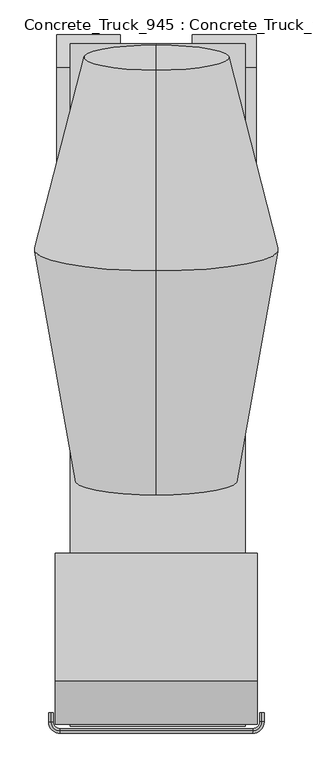
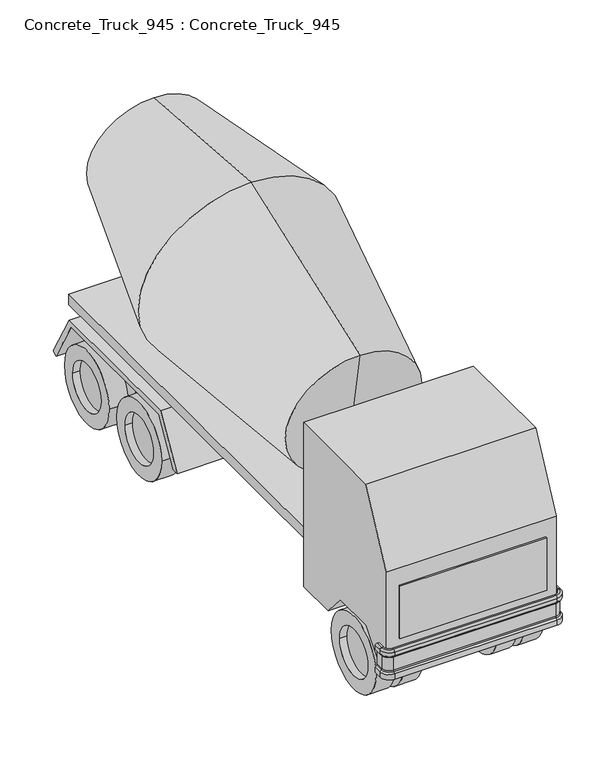
"""IFC4 building model written with IfcOpenShell, lengths in millimetres: geographic element geometry, Concrete_Truck_945 : Concrete_Truck_945."""

from ifc_helpers import new_model, si_unit, point, frame, frame_2d, origin, place, context, project, spatial, polyline, circle_curve, ellipse_curve, trimmed, segment, composite_curve, outline, extrude, source, transform, mapped, element, save
from ifc_brep_helpers import plane_surface, cylinder_surface, revolved_surface, advanced_brep


def concrete_truck_945_concrete_truck_945_7be55e8b(model_context):
    return source(origin(), model_context, "Body", "SolidModel", [
        extrude(outline(composite_curve([segment(trimmed(circle_curve(frame_2d((1720.3615385, 514.35)), 520.7), [point((2241.0615385, 514.35))], [point((1199.6615385, 514.35))], False, "CARTESIAN"), True, "CONTINUOUS"), segment(trimmed(circle_curve(frame_2d((1720.3615385, 514.35)), 520.7), [point((1199.6615385, 514.35))], [point((2241.0615385, 514.35))], False, "CARTESIAN"), True, "CONTINUOUS")], self_intersect=False)), frame((-6444.7615385, 0.0, 0.0), z_axis=(1.0, 0.0, 0.0), x_axis=(0.0, 1.0, 0.0)), (0.0, 0.0, 1.0), 254.0),
        extrude(outline(composite_curve([segment(trimmed(circle_curve(frame_2d((-4510.8915601, 511.4267776)), 520.7), [point((-3990.1915601, 511.4267776))], [point((-5031.5915601, 511.4267776))], False, "CARTESIAN"), True, "CONTINUOUS"), segment(trimmed(circle_curve(frame_2d((-4510.8915601, 511.4267776)), 520.7), [point((-5031.5915601, 511.4267776))], [point((-3990.1915601, 511.4267776))], False, "CARTESIAN"), True, "CONTINUOUS")], self_intersect=False)), frame((-6444.7615385, 0.0, 0.0), z_axis=(1.0, 0.0, 0.0), x_axis=(0.0, 1.0, 0.0)), (0.0, 0.0, 1.0), 254.0),
        extrude(outline(composite_curve([segment(trimmed(circle_curve(frame_2d((501.1615385, 514.35)), 520.7), [point((1021.8615385, 514.35))], [point((-19.5384615, 514.35))], False, "CARTESIAN"), True, "CONTINUOUS"), segment(trimmed(circle_curve(frame_2d((501.1615385, 514.35)), 520.7), [point((-19.5384615, 514.35))], [point((1021.8615385, 514.35))], False, "CARTESIAN"), True, "CONTINUOUS")], self_intersect=False)), frame((-6444.7615385, 0.0, 0.0), z_axis=(1.0, 0.0, 0.0), x_axis=(0.0, 1.0, 0.0)), (0.0, 0.0, 1.0), 254.0),
        extrude(outline(composite_curve([segment(trimmed(circle_curve(frame_2d((1720.3615385, 514.35)), 520.7), [point((2241.0615385, 514.35))], [point((1199.6615385, 514.35))], False, "CARTESIAN"), True, "CONTINUOUS"), segment(trimmed(circle_curve(frame_2d((1720.3615385, 514.35)), 520.7), [point((1199.6615385, 514.35))], [point((2241.0615385, 514.35))], False, "CARTESIAN"), True, "CONTINUOUS")], self_intersect=False)), frame((-5174.7615385, 0.0, 0.0), z_axis=(1.0, 0.0, 0.0), x_axis=(0.0, 1.0, 0.0)), (0.0, 0.0, 1.0), 254.0),
        extrude(outline(composite_curve([segment(trimmed(circle_curve(frame_2d((-4502.6384615, 514.35)), 520.7), [point((-3981.9384615, 514.35))], [point((-5023.3384615, 514.35))], False, "CARTESIAN"), True, "CONTINUOUS"), segment(trimmed(circle_curve(frame_2d((-4502.6384615, 514.35)), 520.7), [point((-5023.3384615, 514.35))], [point((-3981.9384615, 514.35))], False, "CARTESIAN"), True, "CONTINUOUS")], self_intersect=False)), frame((-5174.7615385, 0.0, 0.0), z_axis=(1.0, 0.0, 0.0), x_axis=(0.0, 1.0, 0.0)), (0.0, 0.0, 1.0), 254.0),
        extrude(outline(composite_curve([segment(trimmed(circle_curve(frame_2d((501.1615385, 514.35)), 520.7), [point((1021.8615385, 514.35))], [point((-19.5384615, 514.35))], False, "CARTESIAN"), True, "CONTINUOUS"), segment(trimmed(circle_curve(frame_2d((501.1615385, 514.35)), 520.7), [point((-19.5384615, 514.35))], [point((1021.8615385, 514.35))], False, "CARTESIAN"), True, "CONTINUOUS")], self_intersect=False)), frame((-5174.7615385, 0.0, 0.0), z_axis=(1.0, 0.0, 0.0), x_axis=(0.0, 1.0, 0.0)), (0.0, 0.0, 1.0), 254.0),
        extrude(outline(composite_curve([segment(trimmed(circle_curve(frame_2d((1720.3615385, 514.35)), 520.7), [point((2241.0615385, 514.35))], [point((1199.6615385, 514.35))], False, "CARTESIAN"), True, "CONTINUOUS"), segment(trimmed(circle_curve(frame_2d((1720.3615385, 514.35)), 520.7), [point((1199.6615385, 514.35))], [point((2241.0615385, 514.35))], False, "CARTESIAN"), True, "CONTINUOUS")], self_intersect=False), holes=[composite_curve([segment(trimmed(circle_curve(frame_2d((1720.3615385, 514.35)), 330.2), [point((2050.5615385, 514.35))], [point((1390.1615385, 514.35))], True, "CARTESIAN"), True, "CONTINUOUS"), segment(trimmed(circle_curve(frame_2d((1720.3615385, 514.35)), 330.2), [point((1390.1615385, 514.35))], [point((2050.5615385, 514.35))], True, "CARTESIAN"), True, "CONTINUOUS")], self_intersect=False)]), frame((-6809.8865385, 0.0, 0.0), z_axis=(1.0, 0.0, 0.0), x_axis=(0.0, 1.0, 0.0)), (0.0, 0.0, 1.0), 254.0),
        extrude(outline(composite_curve([segment(trimmed(circle_curve(frame_2d((-4502.6384615, 514.35)), 520.7), [point((-3981.9384615, 514.35))], [point((-5023.3384615, 514.35))], False, "CARTESIAN"), True, "CONTINUOUS"), segment(trimmed(circle_curve(frame_2d((-4502.6384615, 514.35)), 520.7), [point((-5023.3384615, 514.35))], [point((-3981.9384615, 514.35))], False, "CARTESIAN"), True, "CONTINUOUS")], self_intersect=False), holes=[composite_curve([segment(trimmed(circle_curve(frame_2d((-4502.6384615, 514.35)), 330.2), [point((-4172.4384615, 514.35))], [point((-4832.8384615, 514.35))], True, "CARTESIAN"), True, "CONTINUOUS"), segment(trimmed(circle_curve(frame_2d((-4502.6384615, 514.35)), 330.2), [point((-4832.8384615, 514.35))], [point((-4172.4384615, 514.35))], True, "CARTESIAN"), True, "CONTINUOUS")], self_intersect=False)]), frame((-6809.8865385, 0.0, 0.0), z_axis=(1.0, 0.0, 0.0), x_axis=(0.0, 1.0, 0.0)), (0.0, 0.0, 1.0), 254.0),
        extrude(outline(composite_curve([segment(trimmed(circle_curve(frame_2d((501.1615385, 514.35)), 520.7), [point((1021.8615385, 514.35))], [point((-19.5384615, 514.35))], False, "CARTESIAN"), True, "CONTINUOUS"), segment(trimmed(circle_curve(frame_2d((501.1615385, 514.35)), 520.7), [point((-19.5384615, 514.35))], [point((1021.8615385, 514.35))], False, "CARTESIAN"), True, "CONTINUOUS")], self_intersect=False), holes=[composite_curve([segment(trimmed(circle_curve(frame_2d((501.1615385, 514.35)), 330.2), [point((831.3615385, 514.35))], [point((170.9615385, 514.35))], True, "CARTESIAN"), True, "CONTINUOUS"), segment(trimmed(circle_curve(frame_2d((501.1615385, 514.35)), 330.2), [point((170.9615385, 514.35))], [point((831.3615385, 514.35))], True, "CARTESIAN"), True, "CONTINUOUS")], self_intersect=False)]), frame((-6809.8865385, 0.0, 0.0), z_axis=(1.0, 0.0, 0.0), x_axis=(0.0, 1.0, 0.0)), (0.0, 0.0, 1.0), 254.0),
        advanced_brep(
        [(-6851.1615385, -5163.0384615, 661.0144121), (-6901.9615385, -5163.0384615, 661.0144121), (-6901.9615385, -5163.0384615, 734.1328754), (-6882.4602579, -5163.0384615, 753.634156), (-6875.0207701, -5163.0384615, 771.5946682), (-6875.0207701, -5163.0384615, 953.7526192), (-6882.4602579, -5163.0384615, 971.7131315), (-6901.9615385, -5163.0384615, 991.2144121), (-6901.9615385, -5163.0384615, 1042.0144121), (-6876.5615385, -5163.0384615, 1067.4144121), (-6851.1615385, -5163.0384615, 1067.4144121), (-6851.1615385, -5264.6384615, 661.0144121), (-6901.9615385, -5264.6384615, 661.0144121), (-6901.9615385, -5264.6384615, 734.1328754), (-6882.4602579, -5264.6384615, 753.634156), (-6875.0207701, -5264.6384615, 771.5946682), (-6875.0207701, -5264.6384615, 953.7526192), (-6882.4602579, -5264.6384615, 971.7131315), (-6901.9615385, -5264.6384615, 991.2144121), (-6901.9615385, -5264.6384615, 1042.0144121), (-6876.5615385, -5264.6384615, 1067.4144121), (-6851.1615385, -5264.6384615, 1067.4144121), (-6774.9615385, -5391.6384615, 661.0144121), (-6774.9615385, -5340.8384615, 661.0144121), (-6774.9615385, -5391.6384615, 734.1328754), (-6774.9615385, -5372.1371809, 753.634156), (-6774.9615385, -5364.6976932, 771.5946682), (-6774.9615385, -5364.6976932, 953.7526192), (-6774.9615385, -5372.1371809, 971.7131315), (-6774.9615385, -5391.6384615, 991.2144121), (-6774.9615385, -5391.6384615, 1042.0144121), (-6774.9615385, -5366.2384615, 1067.4144121), (-6774.9615385, -5340.8384615, 1067.4144121), (-4590.5615385, -5340.8384615, 661.0144121), (-4590.5615385, -5391.6384615, 661.0144121), (-4590.5615385, -5391.6384615, 734.1328754), (-4590.5615385, -5372.1371809, 753.634156), (-4590.5615385, -5364.6976932, 771.5946682), (-4590.5615385, -5364.6976932, 953.7526192), (-4590.5615385, -5372.1371809, 971.7131315), (-4590.5615385, -5391.6384615, 991.2144121), (-4590.5615385, -5391.6384615, 1042.0144121), (-4590.5615385, -5366.2384615, 1067.4144121), (-4590.5615385, -5340.8384615, 1067.4144121), (-4463.5615385, -5264.6384615, 661.0144121), (-4514.3615385, -5264.6384615, 661.0144121), (-4463.5615385, -5264.6384615, 734.1328754), (-4483.0628191, -5264.6384615, 753.634156), (-4490.5023068, -5264.6384615, 771.5946682), (-4490.5023068, -5264.6384615, 953.7526192), (-4483.0628191, -5264.6384615, 971.7131315), (-4463.5615385, -5264.6384615, 991.2144121), (-4463.5615385, -5264.6384615, 1042.0144121), (-4488.9615385, -5264.6384615, 1067.4144121), (-4514.3615385, -5264.6384615, 1067.4144121), (-4514.3615385, -5163.0384615, 661.0144121), (-4514.3615385, -5163.0384615, 1067.4144121), (-4488.9615385, -5163.0384615, 1067.4144121), (-4463.5615385, -5163.0384615, 1042.0144121), (-4463.5615385, -5163.0384615, 991.2144121), (-4483.0628191, -5163.0384615, 971.7131315), (-4490.5023068, -5163.0384615, 953.7526192), (-4490.5023068, -5163.0384615, 771.5946682), (-4483.0628191, -5163.0384615, 753.634156), (-4463.5615385, -5163.0384615, 734.1328754), (-4463.5615385, -5163.0384615, 661.0144121)],
        [
            (0, 1),
            (1, 2),
            (2, 3),
            (3, 4, circle_curve(frame((-6900.4207701, -5163.0384615, 771.5946682), z_axis=(0.0, -1.0, 0.0), x_axis=(1.0, 0.0, 0.0)), 25.4)),
            (4, 5),
            (5, 6, circle_curve(frame((-6900.4207701, -5163.0384615, 953.7526192), z_axis=(0.0, -1.0, 0.0), x_axis=(1.0, 0.0, 0.0)), 25.4)),
            (6, 7),
            (7, 8),
            (8, 9, circle_curve(frame((-6876.5615385, -5163.0384615, 1042.0144121), z_axis=(0.0, 1.0, 0.0), x_axis=(1.0, 0.0, 0.0)), 25.4)),
            (9, 10),
            (10, 0),
            (0, 11),
            (11, 12),
            (12, 1),
            (12, 13),
            (13, 2),
            (13, 14),
            (14, 3),
            (14, 15, circle_curve(frame((-6900.4207701, -5264.6384615, 771.5946682), z_axis=(0.0, -1.0, 0.0), x_axis=(1.0, 0.0, 0.0)), 25.4)),
            (15, 4),
            (15, 16),
            (16, 5),
            (16, 17, circle_curve(frame((-6900.4207701, -5264.6384615, 953.7526192), z_axis=(0.0, -1.0, 0.0), x_axis=(1.0, 0.0, 0.0)), 25.4)),
            (17, 6),
            (17, 18),
            (18, 7),
            (18, 19),
            (19, 8),
            (19, 20, circle_curve(frame((-6876.5615385, -5264.6384615, 1042.0144121), z_axis=(0.0, 1.0, 0.0), x_axis=(1.0, 0.0, 0.0)), 25.4)),
            (20, 9),
            (20, 21),
            (21, 10),
            (21, 11),
            (22, 12, circle_curve(frame((-6774.9615385, -5264.6384615, 661.0144121), z_axis=(0.0, 0.0, -1.0), x_axis=(-1.0, 0.0, 0.0)), 127.0)),
            (11, 23, circle_curve(frame((-6774.9615385, -5264.6384615, 661.0144121), z_axis=(0.0, 0.0, 1.0), x_axis=(-1.0, 0.0, 0.0)), 76.2)),
            (23, 22),
            (24, 13, circle_curve(frame((-6774.9615385, -5264.6384615, 734.1328754), z_axis=(0.0, 0.0, -1.0), x_axis=(-1.0, 0.0, 0.0)), 127.0)),
            (22, 24),
            (25, 14, circle_curve(frame((-6774.9615385, -5264.6384615, 753.634156), z_axis=(0.0, 0.0, -1.0), x_axis=(-1.0, 0.0, 0.0)), 107.4987194)),
            (24, 25),
            (26, 15, circle_curve(frame((-6774.9615385, -5264.6384615, 771.5946682), z_axis=(0.0, 0.0, -1.0), x_axis=(-1.0, 0.0, 0.0)), 100.0592316)),
            (25, 26, circle_curve(frame((-6774.9615385, -5390.0976932, 771.5946682), z_axis=(1.0, 0.0, 0.0), x_axis=(0.0, 1.0, 0.0)), 25.4)),
            (27, 16, circle_curve(frame((-6774.9615385, -5264.6384615, 953.7526192), z_axis=(0.0, 0.0, -1.0), x_axis=(-1.0, 0.0, 0.0)), 100.0592316)),
            (26, 27),
            (28, 17, circle_curve(frame((-6774.9615385, -5264.6384615, 971.7131315), z_axis=(0.0, 0.0, -1.0), x_axis=(-1.0, 0.0, 0.0)), 107.4987194)),
            (27, 28, circle_curve(frame((-6774.9615385, -5390.0976932, 953.7526192), z_axis=(1.0, 0.0, 0.0), x_axis=(0.0, 1.0, 0.0)), 25.4)),
            (29, 18, circle_curve(frame((-6774.9615385, -5264.6384615, 991.2144121), z_axis=(0.0, 0.0, -1.0), x_axis=(-1.0, 0.0, 0.0)), 127.0)),
            (28, 29),
            (30, 19, circle_curve(frame((-6774.9615385, -5264.6384615, 1042.0144121), z_axis=(0.0, 0.0, -1.0), x_axis=(-1.0, 0.0, 0.0)), 127.0)),
            (29, 30),
            (31, 20, circle_curve(frame((-6774.9615385, -5264.6384615, 1067.4144121), z_axis=(0.0, 0.0, -1.0), x_axis=(-1.0, 0.0, 0.0)), 101.6)),
            (30, 31, circle_curve(frame((-6774.9615385, -5366.2384615, 1042.0144121), z_axis=(-1.0, 0.0, 0.0), x_axis=(0.0, 1.0, 0.0)), 25.4)),
            (32, 21, circle_curve(frame((-6774.9615385, -5264.6384615, 1067.4144121), z_axis=(0.0, 0.0, -1.0), x_axis=(-1.0, 0.0, 0.0)), 76.2)),
            (31, 32),
            (32, 23),
            (23, 33),
            (33, 34),
            (34, 22),
            (34, 35),
            (35, 24),
            (35, 36),
            (36, 25),
            (36, 37, circle_curve(frame((-4590.5615385, -5390.0976932, 771.5946682), z_axis=(1.0, 0.0, 0.0), x_axis=(0.0, 1.0, 0.0)), 25.4)),
            (37, 26),
            (37, 38),
            (38, 27),
            (38, 39, circle_curve(frame((-4590.5615385, -5390.0976932, 953.7526192), z_axis=(1.0, 0.0, 0.0), x_axis=(0.0, 1.0, 0.0)), 25.4)),
            (39, 28),
            (39, 40),
            (40, 29),
            (40, 41),
            (41, 30),
            (41, 42, circle_curve(frame((-4590.5615385, -5366.2384615, 1042.0144121), z_axis=(-1.0, 0.0, 0.0), x_axis=(0.0, 1.0, 0.0)), 25.4)),
            (42, 31),
            (42, 43),
            (43, 32),
            (43, 33),
            (44, 34, circle_curve(frame((-4590.5615385, -5264.6384615, 661.0144121), z_axis=(0.0, 0.0, -1.0), x_axis=(0.0, -1.0, 0.0)), 127.0)),
            (33, 45, circle_curve(frame((-4590.5615385, -5264.6384615, 661.0144121), z_axis=(0.0, 0.0, 1.0), x_axis=(0.0, -1.0, 0.0)), 76.2)),
            (45, 44),
            (46, 35, circle_curve(frame((-4590.5615385, -5264.6384615, 734.1328754), z_axis=(0.0, 0.0, -1.0), x_axis=(0.0, -1.0, 0.0)), 127.0)),
            (44, 46),
            (47, 36, circle_curve(frame((-4590.5615385, -5264.6384615, 753.634156), z_axis=(0.0, 0.0, -1.0), x_axis=(0.0, -1.0, 0.0)), 107.4987194)),
            (46, 47),
            (48, 37, circle_curve(frame((-4590.5615385, -5264.6384615, 771.5946682), z_axis=(0.0, 0.0, -1.0), x_axis=(0.0, -1.0, 0.0)), 100.0592316)),
            (47, 48, circle_curve(frame((-4465.1023068, -5264.6384615, 771.5946682), z_axis=(0.0, 1.0, 0.0), x_axis=(-1.0, 0.0, 0.0)), 25.4)),
            (49, 38, circle_curve(frame((-4590.5615385, -5264.6384615, 953.7526192), z_axis=(0.0, 0.0, -1.0), x_axis=(0.0, -1.0, 0.0)), 100.0592316)),
            (48, 49),
            (50, 39, circle_curve(frame((-4590.5615385, -5264.6384615, 971.7131315), z_axis=(0.0, 0.0, -1.0), x_axis=(0.0, -1.0, 0.0)), 107.4987194)),
            (49, 50, circle_curve(frame((-4465.1023068, -5264.6384615, 953.7526192), z_axis=(0.0, 1.0, 0.0), x_axis=(-1.0, 0.0, 0.0)), 25.4)),
            (51, 40, circle_curve(frame((-4590.5615385, -5264.6384615, 991.2144121), z_axis=(0.0, 0.0, -1.0), x_axis=(0.0, -1.0, 0.0)), 127.0)),
            (50, 51),
            (52, 41, circle_curve(frame((-4590.5615385, -5264.6384615, 1042.0144121), z_axis=(0.0, 0.0, -1.0), x_axis=(0.0, -1.0, 0.0)), 127.0)),
            (51, 52),
            (53, 42, circle_curve(frame((-4590.5615385, -5264.6384615, 1067.4144121), z_axis=(0.0, 0.0, -1.0), x_axis=(0.0, -1.0, 0.0)), 101.6)),
            (52, 53, circle_curve(frame((-4488.9615385, -5264.6384615, 1042.0144121), z_axis=(0.0, -1.0, 0.0), x_axis=(-1.0, 0.0, 0.0)), 25.4)),
            (54, 43, circle_curve(frame((-4590.5615385, -5264.6384615, 1067.4144121), z_axis=(0.0, 0.0, -1.0), x_axis=(0.0, -1.0, 0.0)), 76.2)),
            (53, 54),
            (54, 45),
            (55, 56),
            (56, 57),
            (57, 58, circle_curve(frame((-4488.9615385, -5163.0384615, 1042.0144121), z_axis=(0.0, 1.0, 0.0), x_axis=(-1.0, 0.0, 0.0)), 25.4)),
            (58, 59),
            (59, 60),
            (60, 61, circle_curve(frame((-4465.1023068, -5163.0384615, 953.7526192), z_axis=(0.0, -1.0, 0.0), x_axis=(-1.0, 0.0, 0.0)), 25.4)),
            (61, 62),
            (62, 63, circle_curve(frame((-4465.1023068, -5163.0384615, 771.5946682), z_axis=(0.0, -1.0, 0.0), x_axis=(-1.0, 0.0, 0.0)), 25.4)),
            (63, 64),
            (64, 65),
            (65, 55),
            (45, 55),
            (65, 44),
            (64, 46),
            (63, 47),
            (62, 48),
            (61, 49),
            (60, 50),
            (59, 51),
            (58, 52),
            (57, 53),
            (56, 54),
        ],
        [
            plane_surface(frame((-7970.5840944, -5163.0384615, 0.0), z_axis=(0.0, 1.0, 0.0), x_axis=(0.0, 0.0, -1.0))),
            plane_surface(frame((-6851.1615385, -5163.0384615, 661.0144121), z_axis=(0.0, 0.0, -1.0), x_axis=(0.0, -1.0, 0.0))),
            plane_surface(frame((-6901.9615385, -5163.0384615, 661.0144121), z_axis=(-1.0, 0.0, 0.0), x_axis=(0.0, -1.0, 0.0))),
            plane_surface(frame((-6901.9615385, -5163.0384615, 734.1328754), z_axis=(-0.7071067811866113, 0.0, 0.7071067811864837), x_axis=(0.0, -1.0, 0.0))),
            revolved_surface(polyline([(-6875.0207701, -5264.6384615, 771.5946682), (-6875.0207701, -5163.0384615, 771.5946682)]), (-6900.4207701, -5163.0384615, 771.5946682), (0.0, -1.0, 0.0)),
            plane_surface(frame((-6875.0207701, -5163.0384615, 771.5946682), z_axis=(-1.0, 0.0, 0.0), x_axis=(0.0, -1.0, 0.0))),
            revolved_surface(polyline([(-6875.0207701, -5264.6384615, 953.7526192), (-6875.0207701, -5163.0384615, 953.7526192)]), (-6900.4207701, -5163.0384615, 953.7526192), (0.0, -1.0, 0.0)),
            plane_surface(frame((-6882.4602579, -5163.0384615, 971.7131315), z_axis=(-0.7071067811866555, 0.0, -0.7071067811864395), x_axis=(0.0, -1.0, 0.0))),
            plane_surface(frame((-6901.9615385, -5163.0384615, 991.2144121), z_axis=(-1.0, 0.0, 0.0), x_axis=(0.0, -1.0, 0.0))),
            cylinder_surface(frame((-6876.5615385, -5163.0384615, 1042.0144121), z_axis=(0.0, 1.0, 0.0), x_axis=(1.0, 0.0, 0.0)), 25.4),
            plane_surface(frame((-6876.5615385, -5163.0384615, 1067.4144121), z_axis=(0.0, 0.0, 1.0), x_axis=(0.0, -1.0, 0.0))),
            plane_surface(frame((-6851.1615385, -5163.0384615, 1067.4144121), z_axis=(1.0, 0.0, 0.0), x_axis=(0.0, -1.0, 0.0))),
            plane_surface(frame((-6774.9615385, -5264.6384615, 661.0144121), z_axis=(0.0, 0.0, -1.0), x_axis=(-1.0, 0.0, 0.0))),
            cylinder_surface(frame((-6774.9615385, -5264.6384615, 0.0), z_axis=(0.0, 0.0, 1.0), x_axis=(-1.0, 0.0, 0.0)), 127.0),
            revolved_surface(polyline([(-6901.9615385, -5264.6384615, 734.1328754), (-6882.4602579, -5264.6384615, 753.634156)]), (-6774.9615385, -5264.6384615, 0.0), (0.0, 0.0, 1.0)),
            revolved_surface(trimmed(ellipse_curve(frame((-6900.4207701, -5264.6384615, 771.5946682), z_axis=(0.0, -1.0, 0.0), x_axis=(1.0, 0.0, 0.0)), 25.4, 25.4), [point((-6882.4602579, -5264.6384615, 753.634156))], [point((-6875.0207701, -5264.6384615, 771.5946682))], True, "CARTESIAN"), (-6774.9615385, -5264.6384615, 0.0), (0.0, 0.0, 1.0)),
            cylinder_surface(frame((-6774.9615385, -5264.6384615, 0.0), z_axis=(0.0, 0.0, 1.0), x_axis=(-1.0, 0.0, 0.0)), 100.0592316),
            revolved_surface(trimmed(ellipse_curve(frame((-6900.4207701, -5264.6384615, 953.7526192), z_axis=(0.0, -1.0, 0.0), x_axis=(1.0, 0.0, 0.0)), 25.4, 25.4), [point((-6875.0207701, -5264.6384615, 953.7526192))], [point((-6882.4602579, -5264.6384615, 971.7131315))], True, "CARTESIAN"), (-6774.9615385, -5264.6384615, 0.0), (0.0, 0.0, 1.0)),
            revolved_surface(polyline([(-6882.4602579, -5264.6384615, 971.7131315), (-6901.9615385, -5264.6384615, 991.2144121)]), (-6774.9615385, -5264.6384615, 0.0), (0.0, 0.0, 1.0)),
            revolved_surface(trimmed(ellipse_curve(frame((-6876.5615385, -5264.6384615, 1042.0144121), z_axis=(0.0, 1.0, 0.0), x_axis=(1.0, 0.0, 0.0)), 25.4, 25.4), [point((-6901.9615385, -5264.6384615, 1042.0144121))], [point((-6876.5615385, -5264.6384615, 1067.4144121))], True, "CARTESIAN"), (-6774.9615385, -5264.6384615, 0.0), (0.0, 0.0, 1.0)),
            plane_surface(frame((-6774.9615385, -5264.6384615, 1067.4144121), z_axis=(0.0, 0.0, 1.0), x_axis=(-1.0, 0.0, 0.0))),
            revolved_surface(polyline([(-6851.1615385, -5264.6384615, 1067.4144121), (-6851.1615385, -5264.6384615, 661.0144121)]), (-6774.9615385, -5264.6384615, 0.0), (0.0, 0.0, 1.0)),
            plane_surface(frame((-6774.9615385, -5340.8384615, 661.0144121), z_axis=(0.0, 0.0, -1.0), x_axis=(1.0, 0.0, 0.0))),
            plane_surface(frame((-6774.9615385, -5391.6384615, 661.0144121), z_axis=(0.0, -1.0, 0.0), x_axis=(1.0, 0.0, 0.0))),
            plane_surface(frame((-6774.9615385, -5391.6384615, 734.1328754), z_axis=(0.0, -0.7071067811866113, 0.7071067811864837), x_axis=(1.0, 0.0, 0.0))),
            revolved_surface(polyline([(-4590.5615385, -5364.697693200001, 771.5946682), (-6774.9615385, -5364.697693200001, 771.5946682)]), (-6774.9615385, -5390.0976932, 771.5946682), (1.0, 0.0, 0.0)),
            plane_surface(frame((-6774.9615385, -5364.6976932, 771.5946682), z_axis=(0.0, -1.0, 0.0), x_axis=(1.0, 0.0, 0.0))),
            revolved_surface(polyline([(-4590.5615385, -5364.697693200001, 953.7526192), (-6774.9615385, -5364.697693200001, 953.7526192)]), (-6774.9615385, -5390.0976932, 953.7526192), (1.0, 0.0, 0.0)),
            plane_surface(frame((-6774.9615385, -5372.1371809, 971.7131315), z_axis=(0.0, -0.7071067811866555, -0.7071067811864395), x_axis=(1.0, 0.0, 0.0))),
            plane_surface(frame((-6774.9615385, -5391.6384615, 991.2144121), z_axis=(0.0, -1.0, 0.0), x_axis=(1.0, 0.0, 0.0))),
            cylinder_surface(frame((-6774.9615385, -5366.2384615, 1042.0144121), z_axis=(-1.0, 0.0, 0.0), x_axis=(0.0, 1.0, 0.0)), 25.4),
            plane_surface(frame((-6774.9615385, -5366.2384615, 1067.4144121), z_axis=(0.0, 0.0, 1.0), x_axis=(1.0, 0.0, 0.0))),
            plane_surface(frame((-6774.9615385, -5340.8384615, 1067.4144121), z_axis=(0.0, 1.0, 0.0), x_axis=(1.0, 0.0, 0.0))),
            plane_surface(frame((-4590.5615385, -5264.6384615, 661.0144121), z_axis=(0.0, 0.0, -1.0), x_axis=(0.0, -1.0, 0.0))),
            cylinder_surface(frame((-4590.5615385, -5264.6384615, 0.0), z_axis=(0.0, 0.0, 1.0), x_axis=(0.0, -1.0, 0.0)), 127.0),
            revolved_surface(polyline([(-4590.5615385, -5391.6384615, 734.1328754), (-4590.5615385, -5372.1371809, 753.634156)]), (-4590.5615385, -5264.6384615, 0.0), (0.0, 0.0, 1.0)),
            revolved_surface(trimmed(ellipse_curve(frame((-4590.5615385, -5390.0976932, 771.5946682), z_axis=(1.0, 0.0, 0.0), x_axis=(0.0, 1.0, 0.0)), 25.4, 25.4), [point((-4590.5615385, -5372.1371809, 753.634156))], [point((-4590.5615385, -5364.6976932, 771.5946682))], True, "CARTESIAN"), (-4590.5615385, -5264.6384615, 0.0), (0.0, 0.0, 1.0)),
            cylinder_surface(frame((-4590.5615385, -5264.6384615, 0.0), z_axis=(0.0, 0.0, 1.0), x_axis=(0.0, -1.0, 0.0)), 100.0592316),
            revolved_surface(trimmed(ellipse_curve(frame((-4590.5615385, -5390.0976932, 953.7526192), z_axis=(1.0, 0.0, 0.0), x_axis=(0.0, 1.0, 0.0)), 25.4, 25.4), [point((-4590.5615385, -5364.6976932, 953.7526192))], [point((-4590.5615385, -5372.1371809, 971.7131315))], True, "CARTESIAN"), (-4590.5615385, -5264.6384615, 0.0), (0.0, 0.0, 1.0)),
            revolved_surface(polyline([(-4590.5615385, -5372.1371809, 971.7131315), (-4590.5615385, -5391.6384615, 991.2144121)]), (-4590.5615385, -5264.6384615, 0.0), (0.0, 0.0, 1.0)),
            revolved_surface(trimmed(ellipse_curve(frame((-4590.5615385, -5366.2384615, 1042.0144121), z_axis=(-1.0, 0.0, 0.0), x_axis=(0.0, 1.0, 0.0)), 25.4, 25.4), [point((-4590.5615385, -5391.6384615, 1042.0144121))], [point((-4590.5615385, -5366.2384615, 1067.4144121))], True, "CARTESIAN"), (-4590.5615385, -5264.6384615, 0.0), (0.0, 0.0, 1.0)),
            plane_surface(frame((-4590.5615385, -5264.6384615, 1067.4144121), z_axis=(0.0, 0.0, 1.0), x_axis=(0.0, -1.0, 0.0))),
            revolved_surface(polyline([(-4590.5615385, -5340.8384614999995, 1067.4144121), (-4590.5615385, -5340.8384614999995, 661.0144121)]), (-4590.5615385, -5264.6384615, 0.0), (0.0, 0.0, 1.0)),
            plane_surface(frame((-5532.1840944, -5163.0384615, 0.0), z_axis=(0.0, 1.0, 0.0), x_axis=(0.0, 0.0, 1.0))),
            plane_surface(frame((-4514.3615385, -5264.6384615, 661.0144121), z_axis=(0.0, 0.0, -1.0), x_axis=(0.0, 1.0, 0.0))),
            plane_surface(frame((-4463.5615385, -5264.6384615, 661.0144121), z_axis=(1.0, 0.0, 0.0), x_axis=(0.0, 1.0, 0.0))),
            plane_surface(frame((-4463.5615385, -5264.6384615, 734.1328754), z_axis=(0.7071067811866113, 0.0, 0.7071067811864837), x_axis=(0.0, 1.0, 0.0))),
            revolved_surface(polyline([(-4490.5023068, -5163.0384615, 771.5946682), (-4490.5023068, -5264.6384615, 771.5946682)]), (-4465.1023068, -5264.6384615, 771.5946682), (0.0, 1.0, 0.0)),
            plane_surface(frame((-4490.5023068, -5264.6384615, 771.5946682), z_axis=(1.0, 0.0, 0.0), x_axis=(0.0, 1.0, 0.0))),
            revolved_surface(polyline([(-4490.5023068, -5163.0384615, 953.7526192), (-4490.5023068, -5264.6384615, 953.7526192)]), (-4465.1023068, -5264.6384615, 953.7526192), (0.0, 1.0, 0.0)),
            plane_surface(frame((-4483.0628191, -5264.6384615, 971.7131315), z_axis=(0.7071067811866555, 0.0, -0.7071067811864395), x_axis=(0.0, 1.0, 0.0))),
            plane_surface(frame((-4463.5615385, -5264.6384615, 991.2144121), z_axis=(1.0, 0.0, 0.0), x_axis=(0.0, 1.0, 0.0))),
            cylinder_surface(frame((-4488.9615385, -5264.6384615, 1042.0144121), z_axis=(0.0, -1.0, 0.0), x_axis=(-1.0, 0.0, 0.0)), 25.4),
            plane_surface(frame((-4488.9615385, -5264.6384615, 1067.4144121), z_axis=(0.0, 0.0, 1.0), x_axis=(0.0, 1.0, 0.0))),
            plane_surface(frame((-4514.3615385, -5264.6384615, 1067.4144121), z_axis=(-1.0, 0.0, 0.0), x_axis=(0.0, 1.0, 0.0))),
        ],
        [
            (0, [[1, 2, 3, 4, 5, 6, 7, 8, 9, 10, 11]]),
            (1, [[-1, 12, 13, 14]]),
            (2, [[-2, -14, 15, 16]]),
            (3, [[-3, -16, 17, 18]]),
            (4, [[-4, -18, 19, 20]]),
            (5, [[-5, -20, 21, 22]]),
            (6, [[-6, -22, 23, 24]]),
            (7, [[-7, -24, 25, 26]]),
            (8, [[-8, -26, 27, 28]]),
            (9, [[-9, -28, 29, 30]]),
            (10, [[-10, -30, 31, 32]]),
            (11, [[-11, -32, 33, -12]]),
            (12, [[34, -13, 35, 36]]),
            (13, [[37, -15, -34, 38]]),
            (14, [[39, -17, -37, 40]]),
            (15, [[41, -19, -39, 42]]),
            (16, [[43, -21, -41, 44]]),
            (17, [[45, -23, -43, 46]]),
            (18, [[47, -25, -45, 48]]),
            (13, [[49, -27, -47, 50]]),
            (19, [[51, -29, -49, 52]]),
            (20, [[53, -31, -51, 54]]),
            (21, [[-35, -33, -53, 55]]),
            (22, [[-36, 56, 57, 58]]),
            (23, [[-38, -58, 59, 60]]),
            (24, [[-40, -60, 61, 62]]),
            (25, [[-42, -62, 63, 64]]),
            (26, [[-44, -64, 65, 66]]),
            (27, [[-46, -66, 67, 68]]),
            (28, [[-48, -68, 69, 70]]),
            (29, [[-50, -70, 71, 72]]),
            (30, [[-52, -72, 73, 74]]),
            (31, [[-54, -74, 75, 76]]),
            (32, [[-55, -76, 77, -56]]),
            (33, [[78, -57, 79, 80]]),
            (34, [[81, -59, -78, 82]]),
            (35, [[83, -61, -81, 84]]),
            (36, [[85, -63, -83, 86]]),
            (37, [[87, -65, -85, 88]]),
            (38, [[89, -67, -87, 90]]),
            (39, [[91, -69, -89, 92]]),
            (34, [[93, -71, -91, 94]]),
            (40, [[95, -73, -93, 96]]),
            (41, [[97, -75, -95, 98]]),
            (42, [[-79, -77, -97, 99]]),
            (43, [[100, 101, 102, 103, 104, 105, 106, 107, 108, 109, 110]]),
            (44, [[-80, 111, -110, 112]]),
            (45, [[-82, -112, -109, 113]]),
            (46, [[-84, -113, -108, 114]]),
            (47, [[-86, -114, -107, 115]]),
            (48, [[-88, -115, -106, 116]]),
            (49, [[-90, -116, -105, 117]]),
            (50, [[-92, -117, -104, 118]]),
            (51, [[-94, -118, -103, 119]]),
            (52, [[-96, -119, -102, 120]]),
            (53, [[-98, -120, -101, 121]]),
            (54, [[-99, -121, -100, -111]]),
        ],
    ),
        extrude(outline(composite_curve([segment(trimmed(circle_curve(frame_2d((1720.3615385, 514.35)), 520.7), [point((2241.0615385, 514.35))], [point((1199.6615385, 514.35))], False, "CARTESIAN"), True, "CONTINUOUS"), segment(trimmed(circle_curve(frame_2d((1720.3615385, 514.35)), 520.7), [point((1199.6615385, 514.35))], [point((2241.0615385, 514.35))], False, "CARTESIAN"), True, "CONTINUOUS")], self_intersect=False), holes=[composite_curve([segment(trimmed(circle_curve(frame_2d((1720.3615385, 514.35)), 330.2), [point((2050.5615385, 514.35))], [point((1390.1615385, 514.35))], True, "CARTESIAN"), True, "CONTINUOUS"), segment(trimmed(circle_curve(frame_2d((1720.3615385, 514.35)), 330.2), [point((1390.1615385, 514.35))], [point((2050.5615385, 514.35))], True, "CARTESIAN"), True, "CONTINUOUS")], self_intersect=False)]), frame((-4809.6365385, 0.0, 0.0), z_axis=(1.0, 0.0, 0.0), x_axis=(0.0, 1.0, 0.0)), (0.0, 0.0, 1.0), 254.0),
        extrude(outline(composite_curve([segment(trimmed(circle_curve(frame_2d((-4502.6384615, 514.35)), 520.7), [point((-3981.9384615, 514.35))], [point((-5023.3384615, 514.35))], False, "CARTESIAN"), True, "CONTINUOUS"), segment(trimmed(circle_curve(frame_2d((-4502.6384615, 514.35)), 520.7), [point((-5023.3384615, 514.35))], [point((-3981.9384615, 514.35))], False, "CARTESIAN"), True, "CONTINUOUS")], self_intersect=False), holes=[composite_curve([segment(trimmed(circle_curve(frame_2d((-4502.6384615, 514.35)), 330.2), [point((-4172.4384615, 514.35))], [point((-4832.8384615, 514.35))], True, "CARTESIAN"), True, "CONTINUOUS"), segment(trimmed(circle_curve(frame_2d((-4502.6384615, 514.35)), 330.2), [point((-4832.8384615, 514.35))], [point((-4172.4384615, 514.35))], True, "CARTESIAN"), True, "CONTINUOUS")], self_intersect=False)]), frame((-4809.6365385, 0.0, 0.0), z_axis=(1.0, 0.0, 0.0), x_axis=(0.0, 1.0, 0.0)), (0.0, 0.0, 1.0), 254.0),
        extrude(outline(composite_curve([segment(trimmed(circle_curve(frame_2d((501.1615385, 514.35)), 520.7), [point((1021.8615385, 514.35))], [point((-19.5384615, 514.35))], False, "CARTESIAN"), True, "CONTINUOUS"), segment(trimmed(circle_curve(frame_2d((501.1615385, 514.35)), 520.7), [point((-19.5384615, 514.35))], [point((1021.8615385, 514.35))], False, "CARTESIAN"), True, "CONTINUOUS")], self_intersect=False), holes=[composite_curve([segment(trimmed(circle_curve(frame_2d((501.1615385, 514.35)), 330.2), [point((831.3615385, 514.35))], [point((170.9615385, 514.35))], True, "CARTESIAN"), True, "CONTINUOUS"), segment(trimmed(circle_curve(frame_2d((501.1615385, 514.35)), 330.2), [point((170.9615385, 514.35))], [point((831.3615385, 514.35))], True, "CARTESIAN"), True, "CONTINUOUS")], self_intersect=False)]), frame((-4809.6365385, 0.0, 0.0), z_axis=(1.0, 0.0, 0.0), x_axis=(0.0, 1.0, 0.0)), (0.0, 0.0, 1.0), 254.0),
        extrude(outline(polyline([(-5276.3615385, 2406.1615385), (-5276.3615385, -3054.8384615), (-4913.0396444, -3054.8384615), (-4913.0396444, -4375.6384615), (-6437.0396444, -4375.6384615), (-6437.0396444, -3054.8384615), (-6089.1615385, -3054.8384615), (-6089.1615385, 2406.1615385), (-5276.3615385, 2406.1615385)])), frame((0.0, 0.0, 711.2), z_axis=(0.0, 0.0, 1.0), x_axis=(1.0, 0.0, 0.0)), (0.0, 0.0, 1.0), 508.0),
        advanced_brep(
        [(-5682.7615385, -2539.6113462, 2355.2104547), (-5682.7615385, -2381.170534, 1454.7367752), (-5682.7615385, -2698.0521585, 3255.6841343), (-5682.7615385, 314.5636133, 1454.7367752), (-5682.7615385, -164.2220121, 4175.8403069), (-5682.7615385, 2391.228493, 2387.7409698), (-5682.7615385, 2106.189427, 4007.7161067), (-5682.7615385, 2248.70896, 3197.7285383)],
        [
            (0, 1),
            (1, 2, circle_curve(frame((-5682.7615385, -2539.6113462, 2355.2104547), z_axis=(0.0, -0.9848707186111331, -0.17329070264267052), x_axis=(0.0, 0.17329070264267052, -0.9848707186111331)), 914.3064795)),
            (2, 0),
            (2, 1, circle_curve(frame((-5682.7615385, -2539.6113462, 2355.2104547), z_axis=(0.0, -0.9848707186111331, -0.17329070264267052), x_axis=(0.0, 0.17329070264267052, -0.9848707186111331)), 914.3064795)),
            (1, 3),
            (3, 4, circle_curve(frame((-5682.7615385, 75.1708006, 2815.2885411), z_axis=(0.0, -0.9848707186111331, -0.17329070264267052), x_axis=(0.0, 0.17329070264267052, -0.9848707186111331)), 1381.452144)),
            (4, 2),
            (4, 3, circle_curve(frame((-5682.7615385, 75.1708006, 2815.2885411), z_axis=(0.0, -0.9848707186111331, -0.17329070264267052), x_axis=(0.0, 0.17329070264267052, -0.9848707186111331)), 1381.452144)),
            (3, 5),
            (5, 6, circle_curve(frame((-5682.7615385, 2248.70896, 3197.7285383), z_axis=(0.0, -0.9848707186111331, -0.17329070264267052), x_axis=(0.0, 0.17329070264267052, -0.9848707186111331)), 822.4303486)),
            (6, 4),
            (5, 7),
            (7, 6),
            (5, 6, circle_curve(frame((-5682.7615385, 2248.70896, 3197.7285383), z_axis=(0.0, 0.9848707186111331, 0.17329070264267052), x_axis=(0.0, 0.17329070264267052, -0.9848707186111331)), 822.4303486)),
        ],
        [
            plane_surface(frame((-5682.7615385, -2539.6113462, 2355.2104547), z_axis=(0.0, -0.9848707186111331, -0.17329070264267052), x_axis=(0.0, 0.17329070264267052, -0.9848707186111331))),
            revolved_surface(polyline([(-5682.7615385, 314.5636133, 1454.7367752), (-5682.7615385, -2381.170534, 1454.7367752)]), (-5682.7615385, -2539.6113462, 2355.2104547), (0.0, -0.9848707186111331, -0.17329070264267052)),
            revolved_surface(polyline([(-5682.7615385, 2391.228493, 2387.7409698), (-5682.7615385, 314.5636133, 1454.7367752)]), (-5682.7615385, -2539.6113462, 2355.2104547), (0.0, -0.9848707186111331, -0.17329070264267052)),
            plane_surface(frame((-5682.7615385, 2248.70896, 3197.7285383), z_axis=(0.0, 0.9848707186111331, 0.17329070264267052), x_axis=(0.0, 0.17329070264267052, -0.9848707186111331))),
        ],
        [
            (0, [[1, 2, 3]]),
            (0, [[-3, 4, -1]]),
            (1, [[-2, 5, 6, 7]]),
            (1, [[-4, -7, 8, -5]]),
            (2, [[-6, 9, 10, 11]]),
            (3, [[-10, 12, 13]]),
            (3, [[14, -13, -12]]),
            (2, [[-8, -11, -14, -9]]),
        ],
    ),
        extrude(outline(polyline([(-3359.6384615, 3098.8), (-3359.6384615, 762.0), (-3931.1384615, 762.0), (-4209.1490496, 1093.3201171), (-4816.0508564, 1093.3201171), (-5095.5042167, 760.280571), (-5289.6646084, 760.280571), (-5289.6646084, 2133.6), (-4808.3074529, 3098.8), (-3359.6384615, 3098.8)])), frame((-6825.7615385, 0.0, 0.0), z_axis=(1.0, 0.0, 0.0), x_axis=(0.0, 1.0, 0.0)), (0.0, 0.0, 1.0), 2286.0),
        extrude(outline(composite_curve([segment(trimmed(circle_curve(frame_2d((-4500.8190592, 514.3449875)), 330.2), [point((-4170.6190592, 514.3449875))], [point((-4831.0190592, 514.3449875))], False, "CARTESIAN"), True, "CONTINUOUS"), segment(trimmed(circle_curve(frame_2d((-4500.8190592, 514.3449875)), 330.2), [point((-4831.0190592, 514.3449875))], [point((-4170.6190592, 514.3449875))], False, "CARTESIAN"), True, "CONTINUOUS")], self_intersect=False)), frame((-4809.6365385, 0.0, 0.0), z_axis=(1.0, 0.0, 0.0), x_axis=(0.0, 1.0, 0.0)), (0.0, 0.0, 1.0), 172.4209606),
        extrude(outline(composite_curve([segment(trimmed(circle_curve(frame_2d((502.9809408, 514.3449875)), 330.2), [point((833.1809408, 514.3449875))], [point((172.7809408, 514.3449875))], False, "CARTESIAN"), True, "CONTINUOUS"), segment(trimmed(circle_curve(frame_2d((502.9809408, 514.3449875)), 330.2), [point((172.7809408, 514.3449875))], [point((833.1809408, 514.3449875))], False, "CARTESIAN"), True, "CONTINUOUS")], self_intersect=False)), frame((-4809.6365385, 0.0, 0.0), z_axis=(1.0, 0.0, 0.0), x_axis=(0.0, 1.0, 0.0)), (0.0, 0.0, 1.0), 172.4209606),
        extrude(outline(composite_curve([segment(trimmed(circle_curve(frame_2d((1720.3615385, 514.35)), 330.2), [point((2050.5615385, 514.35))], [point((1390.1615385, 514.35))], False, "CARTESIAN"), True, "CONTINUOUS"), segment(trimmed(circle_curve(frame_2d((1720.3615385, 514.35)), 330.2), [point((1390.1615385, 514.35))], [point((2050.5615385, 514.35))], False, "CARTESIAN"), True, "CONTINUOUS")], self_intersect=False)), frame((-4809.6365385, 0.0, 0.0), z_axis=(1.0, 0.0, 0.0), x_axis=(0.0, 1.0, 0.0)), (0.0, 0.0, 1.0), 172.4209606),
        extrude(outline(composite_curve([segment(trimmed(circle_curve(frame_2d((-4502.6384615, 514.35)), 330.2), [point((-4172.4384615, 514.35))], [point((-4832.8384615, 514.35))], False, "CARTESIAN"), True, "CONTINUOUS"), segment(trimmed(circle_curve(frame_2d((-4502.6384615, 514.35)), 330.2), [point((-4832.8384615, 514.35))], [point((-4172.4384615, 514.35))], False, "CARTESIAN"), True, "CONTINUOUS")], self_intersect=False)), frame((-6711.659976, 0.0, 0.0), z_axis=(1.0, 0.0, 0.0), x_axis=(0.0, 1.0, 0.0)), (0.0, 0.0, 1.0), 155.7734375),
        extrude(outline(composite_curve([segment(trimmed(circle_curve(frame_2d((501.1615385, 514.35)), 330.2), [point((831.3615385, 514.35))], [point((170.9615385, 514.35))], False, "CARTESIAN"), True, "CONTINUOUS"), segment(trimmed(circle_curve(frame_2d((501.1615385, 514.35)), 330.2), [point((170.9615385, 514.35))], [point((831.3615385, 514.35))], False, "CARTESIAN"), True, "CONTINUOUS")], self_intersect=False)), frame((-6711.659976, 0.0, 0.0), z_axis=(1.0, 0.0, 0.0), x_axis=(0.0, 1.0, 0.0)), (0.0, 0.0, 1.0), 155.7734375),
        extrude(outline(composite_curve([segment(trimmed(circle_curve(frame_2d((1720.3615385, 514.35)), 330.2), [point((2050.5615385, 514.35))], [point((1390.1615385, 514.35))], False, "CARTESIAN"), True, "CONTINUOUS"), segment(trimmed(circle_curve(frame_2d((1720.3615385, 514.35)), 330.2), [point((1390.1615385, 514.35))], [point((2050.5615385, 514.35))], False, "CARTESIAN"), True, "CONTINUOUS")], self_intersect=False)), frame((-6711.659976, 0.0, 0.0), z_axis=(1.0, 0.0, 0.0), x_axis=(0.0, 1.0, 0.0)), (0.0, 0.0, 1.0), 155.7734375),
        extrude(outline(polyline([(-4677.451544, -5313.0802334), (-6659.0612622, -5313.0802334), (-6659.0612622, -5289.6646084), (-4677.451544, -5289.6646084), (-4677.451544, -5313.0802334)])), frame((0.0, 0.0, 1143.0), z_axis=(0.0, 0.0, 1.0), x_axis=(1.0, 0.0, 0.0)), (0.0, 0.0, 1.0), 750.2675431),
        extrude(outline(polyline([(2132.8692149, 1219.2), (2504.6424022, 557.8623027), (2438.218509, 520.5218901), (2088.2903681, 1143.0), (43.2633054, 1143.0), (-293.7426041, 559.2886423), (-381.7307851, 559.2886423), (-0.7307851, 1219.2), (2132.8692149, 1219.2)])), frame((-5276.3615385, 0.0, 0.0), z_axis=(1.0, 0.0, 0.0), x_axis=(0.0, 1.0, 0.0)), (0.0, 0.0, 1.0), 720.725),
        extrude(outline(polyline([(2132.8692149, 1219.2), (2504.6424022, 557.8623027), (2438.218509, 520.5218901), (2088.2903681, 1143.0), (43.2633054, 1143.0), (-293.7426041, 559.2886423), (-381.7307851, 559.2886423), (-0.7307851, 1219.2), (2132.8692149, 1219.2)])), frame((-6809.8865385, 0.0, 0.0), z_axis=(1.0, 0.0, 0.0), x_axis=(0.0, 1.0, 0.0)), (0.0, 0.0, 1.0), 720.725),
        extrude(outline(polyline([(-4677.451544, -3359.6384615), (-6658.651544, -3359.6384615), (-6658.651544, 2406.1615385), (-4677.451544, 2406.1615385), (-4677.451544, -3359.6384615)])), frame((0.0, 0.0, 1219.2), z_axis=(0.0, 0.0, 1.0), x_axis=(1.0, 0.0, 0.0)), (0.0, 0.0, 1.0), 150.6140625),
    ])


if __name__ == "__main__":
    model = new_model("IFC4")
    model_context = context("Model", 3, world=origin())
    ifc_project = project(units=[si_unit("LENGTHUNIT", "METRE", prefix="MILLI")], contexts=[model_context])
    site = spatial("IfcSite", under=ifc_project)
    building = spatial("IfcBuilding", under=site)
    placement = place(None, origin())
    concrete_truck_945_concrete_truck_945_shape = concrete_truck_945_concrete_truck_945_7be55e8b(model_context)
    element("IfcGeographicElement", 1, ObjectType="Concrete_Truck_945 : Concrete_Truck_945", at=placement, inside=building, context=model_context, shape_type="MappedRepresentation", body=[
        mapped(concrete_truck_945_concrete_truck_945_shape, transform((0.0, 0.0, 0.0), x_axis=(1.0, 0.0, 0.0), y_axis=(0.0, 1.0, 0.0), z_axis=(0.0, 0.0, 1.0))),
    ])
    save(model, "model.ifc")
